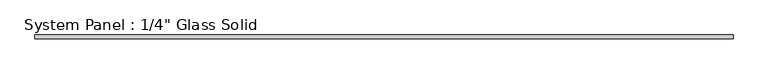
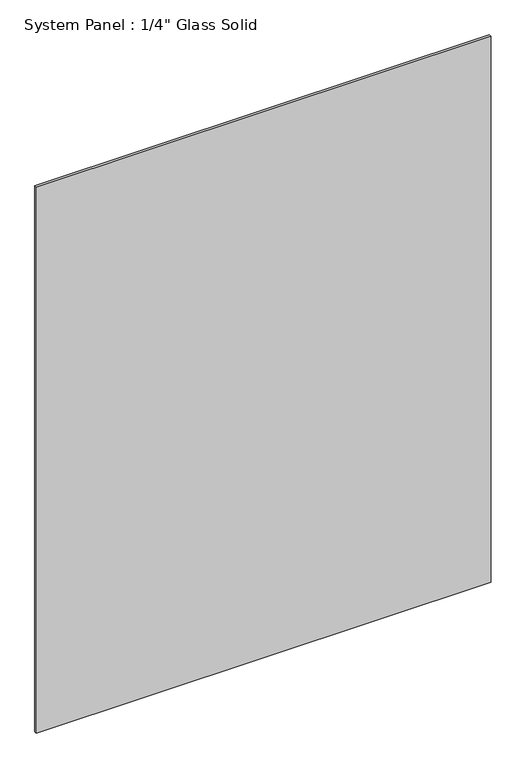
"""IFC4 building model written with IfcOpenShell, lengths in millimetres: plate geometry."""

from ifc_helpers import new_model, si_unit, origin, origin_with_axes, place, context, project, spatial, polyline, outline, extrude, source, transform, mapped, element, save


def plate_dd5bd924(model_context):
    return source(origin(), model_context, "Body", "SweptSolid", [
        extrude(outline(polyline([(553.0305865, -3.175), (-553.0305865, -3.175), (-553.0305865, 3.175), (553.0305865, 3.175), (553.0305865, -3.175)])), origin_with_axes(), (0.0, 0.0, 1.0), 1403.2394027),
    ])


if __name__ == "__main__":
    model = new_model("IFC4")
    model_context = context("Model", 3, world=origin())
    ifc_project = project(units=[si_unit("LENGTHUNIT", "METRE", prefix="MILLI")], contexts=[model_context])
    site = spatial("IfcSite", under=ifc_project)
    building = spatial("IfcBuilding", under=site)
    placement = place(None, origin())
    plate_shape = plate_dd5bd924(model_context)
    element("IfcPlate", 1, ObjectType="System Panel : 1/4\" Glass Solid", at=placement, inside=building, context=model_context, shape_type="MappedRepresentation", body=[
        mapped(plate_shape, transform((0.0, 0.0, 0.0), x_axis=(1.0, 0.0, 0.0), y_axis=(0.0, 1.0, 0.0), z_axis=(0.0, 0.0, 1.0))),
    ])
    save(model, "model.ifc")
